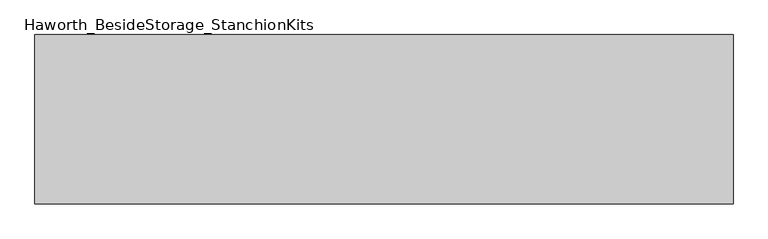
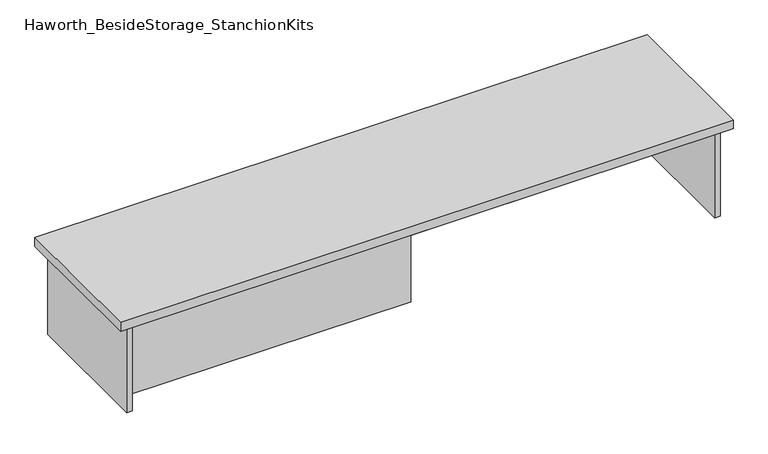
"""IFC4 building model written with IfcOpenShell, lengths in millimetres: furniture geometry, Haworth_BesideStorage_StanchionKits."""

from ifc_helpers import new_model, si_unit, frame, origin, place, context, project, spatial, polyline, outline, extrude, source, transform, mapped, element, save


def haworth_besidestorage_stanchionkits_8ab8c5d5(model_context):
    return source(origin(), model_context, "Body", "SweptSolid", [
        extrude(outline(polyline([(1000.125, 0.0), (1000.125, -406.4), (-676.275, -406.4), (-676.275, 0.0), (1000.125, 0.0)])), frame((0.0, 0.0, 685.8), z_axis=(0.0, 0.0, 1.0), x_axis=(1.0, 0.0, 0.0)), (0.0, 0.0, 1.0), 25.4),
        extrude(outline(polyline([(161.925, -76.2), (958.85, -76.2), (958.85, -92.075), (161.925, -92.075), (161.925, -76.2)])), frame((0.0, 0.0, 431.8), z_axis=(0.0, 0.0, 1.0), x_axis=(1.0, 0.0, 0.0)), (0.0, 0.0, 1.0), 254.0),
        extrude(outline(polyline([(161.925, -314.325), (161.925, -330.2), (-635.0, -330.2), (-635.0, -314.325), (161.925, -314.325)])), frame((0.0, 0.0, 431.8), z_axis=(0.0, 0.0, 1.0), x_axis=(1.0, 0.0, 0.0)), (0.0, 0.0, 1.0), 254.0),
        extrude(outline(polyline([(974.725, -390.525), (958.85, -390.525), (958.85, -15.875), (974.725, -15.875), (974.725, -390.525)])), frame((0.0, 0.0, 431.8), z_axis=(0.0, 0.0, 1.0), x_axis=(1.0, 0.0, 0.0)), (0.0, 0.0, 1.0), 254.0),
        extrude(outline(polyline([(-635.0, -390.525), (-650.875, -390.525), (-650.875, -15.875), (-635.0, -15.875), (-635.0, -390.525)])), frame((0.0, 0.0, 431.8), z_axis=(0.0, 0.0, 1.0), x_axis=(1.0, 0.0, 0.0)), (0.0, 0.0, 1.0), 254.0),
    ])


if __name__ == "__main__":
    model = new_model("IFC4")
    model_context = context("Model", 3, world=origin())
    ifc_project = project(units=[si_unit("LENGTHUNIT", "METRE", prefix="MILLI")], contexts=[model_context])
    site = spatial("IfcSite", under=ifc_project)
    building = spatial("IfcBuilding", under=site)
    placement = place(None, origin())
    haworth_besidestorage_stanchionkits_shape = haworth_besidestorage_stanchionkits_8ab8c5d5(model_context)
    element("IfcFurniture", 1, ObjectType="Haworth_BesideStorage_StanchionKits", at=placement, inside=building, context=model_context, shape_type="MappedRepresentation", body=[
        mapped(haworth_besidestorage_stanchionkits_shape, transform((0.0, 0.0, 0.0), x_axis=(1.0, 0.0, 0.0), y_axis=(0.0, 1.0, 0.0), z_axis=(0.0, 0.0, 1.0))),
    ])
    save(model, "model.ifc")
